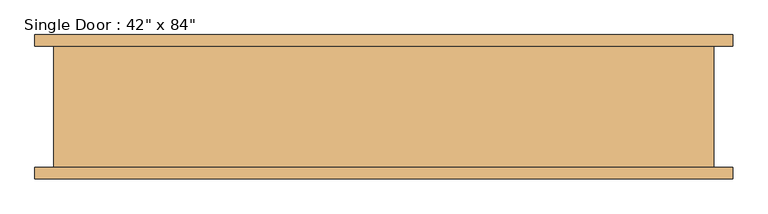
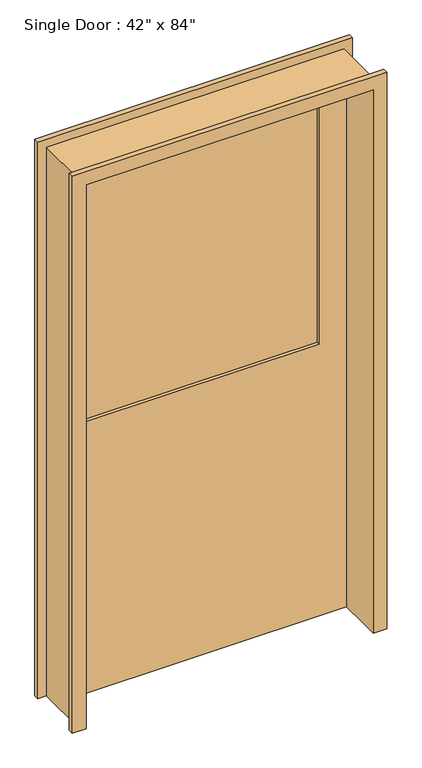
"""IFC4 building model written with IfcOpenShell, lengths in millimetres: door geometry."""

from ifc_helpers import new_model, si_unit, frame, origin, place, context, project, spatial, polyline, outline, extrude, faceted_brep, source, transform, mapped, element, save


def door_0b024c1c(model_context):
    return source(origin(), model_context, "Body", "SolidModel", [
        faceted_brep([(-584.2, -101.6, 0.0), (-552.45, -101.6, 0.0), (-552.45, 101.6, 0.0), (-584.2, 101.6, 0.0), (-584.2, 120.65, 0.0), (-533.4, 120.65, 0.0), (-533.4, -120.65, 0.0), (-584.2, -120.65, 0.0), (-584.2, -101.6, 2184.4), (584.2, -101.6, 2184.4), (584.2, -101.6, 0.0), (552.45, -101.6, 0.0), (552.45, -101.6, 2152.65), (-552.45, -101.6, 2152.65), (-552.45, 101.6, 2152.65), (552.45, 101.6, 2152.65), (552.45, 101.6, 0.0), (584.2, 101.6, 0.0), (584.2, 101.6, 2184.4), (-584.2, 101.6, 2184.4), (-584.2, 120.65, 2184.4), (584.2, 120.65, 2184.4), (584.2, 120.65, 0.0), (533.4, 120.65, 0.0), (533.4, 120.65, 2133.6), (-533.4, 120.65, 2133.6), (-533.4, -120.65, 2133.6), (533.4, -120.65, 2133.6), (533.4, -120.65, 0.0), (584.2, -120.65, 0.0), (584.2, -120.65, 2184.4), (-584.2, -120.65, 2184.4)], [[[0, 1, 2, 3, 4, 5, 6, 7]], [[1, 0, 8, 9, 10, 11, 12, 13]], [[2, 1, 13, 14]], [[3, 2, 14, 15, 16, 17, 18, 19]], [[4, 3, 19, 20]], [[5, 4, 20, 21, 22, 23, 24, 25]], [[6, 5, 25, 26]], [[7, 6, 26, 27, 28, 29, 30, 31]], [[0, 7, 31, 8]], [[13, 12, 15, 14]], [[19, 18, 21, 20]], [[25, 24, 27, 26]], [[9, 8, 31, 30]], [[11, 10, 29, 28, 23, 22, 17, 16]], [[12, 11, 16, 15]], [[18, 17, 22, 21]], [[24, 23, 28, 27]], [[10, 9, 30, 29]]]),
        extrude(outline(polyline([(431.8, 63.5), (-431.8, 63.5), (-431.8, 76.2), (431.8, 76.2), (431.8, 63.5)])), frame((0.0, 0.0, 1066.8), z_axis=(0.0, 0.0, 1.0), x_axis=(1.0, 0.0, 0.0)), (0.0, 0.0, 1.0), 965.2),
        extrude(outline(polyline([(2133.6, 533.4), (2133.6, -533.4), (0.0, -533.4), (0.0, 533.4), (2133.6, 533.4)]), holes=[polyline([(2032.0, 431.8), (1066.8, 431.8), (1066.8, -431.8), (2032.0, -431.8), (2032.0, 431.8)])]), frame((0.0, 50.8, 0.0), z_axis=(0.0, 1.0, 0.0), x_axis=(0.0, 0.0, 1.0)), (0.0, 0.0, 1.0), 50.8),
    ])


if __name__ == "__main__":
    model = new_model("IFC4")
    model_context = context("Model", 3, world=origin())
    ifc_project = project(units=[si_unit("LENGTHUNIT", "METRE", prefix="MILLI")], contexts=[model_context])
    site = spatial("IfcSite", under=ifc_project)
    building = spatial("IfcBuilding", under=site)
    placement = place(None, origin())
    door_shape = door_0b024c1c(model_context)
    element("IfcDoor", 1, ObjectType="Single Door : 42\" x 84\"", at=placement, inside=building, context=model_context, shape_type="MappedRepresentation", body=[
        mapped(door_shape, transform((0.0, 0.0, 0.0), x_axis=(1.0, 0.0, 0.0), y_axis=(0.0, 1.0, 0.0), z_axis=(0.0, 0.0, 1.0))),
    ])
    save(model, "model.ifc")
